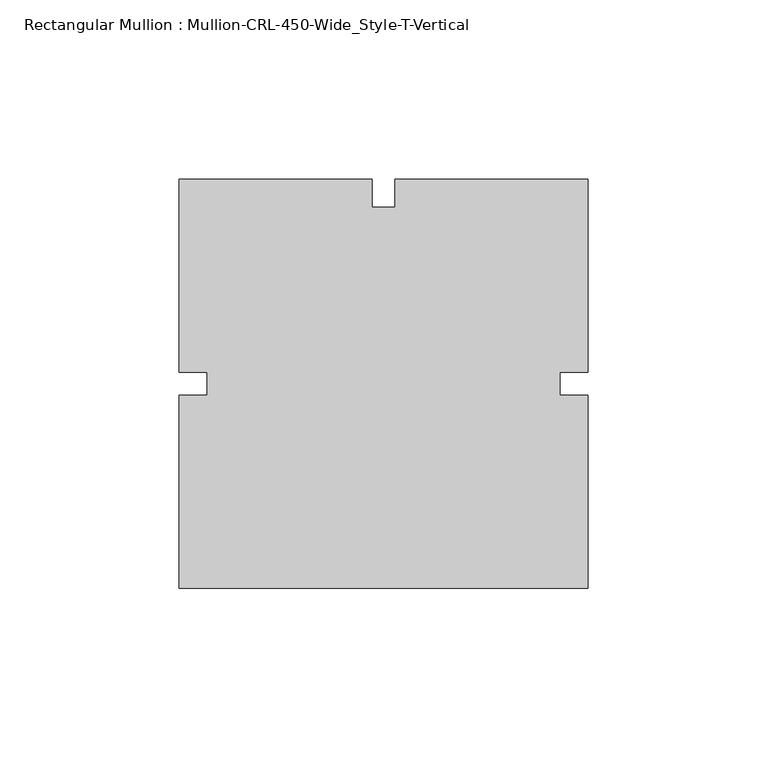
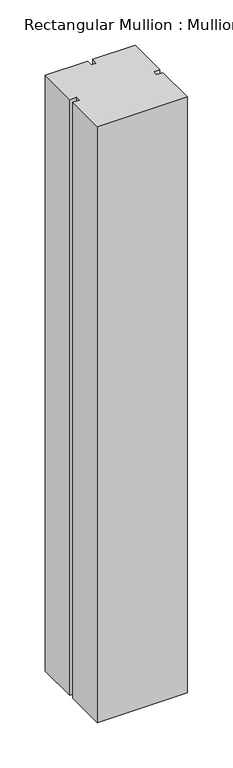
"""IFC4 building model written with IfcOpenShell, lengths in millimetres: member geometry, Rectangular Mullion : Mullion-CRL-450-Wide_Style-T-Vertical."""

from ifc_helpers import new_model, si_unit, frame, origin, place, context, project, spatial, polyline, outline, extrude, source, transform, mapped, element, save


def rectangular_mullion_mullion_crl_450_wide_style_t_vertical_a498e1fe(model_context):
    return source(origin(), model_context, "Body", "SweptSolid", [
        extrude(outline(polyline([(57.15, -57.15), (-57.15, -57.15), (-57.15, -3.175), (-49.2125, -3.175), (-49.2125, 3.175), (-57.15, 3.175), (-57.15, 57.15), (-3.1840868, 57.15), (-3.1840868, 49.2125), (3.1840868, 49.2125), (3.1840868, 57.15), (57.15, 57.15), (57.15, 3.175), (49.2125, 3.175), (49.2125, -3.175), (57.15, -3.175), (57.15, -57.15)])), frame((0.0, 0.0, -800.89375), z_axis=(0.0, 0.0, 1.0), x_axis=(1.0, 0.0, 0.0)), (0.0, 0.0, 1.0), 800.89375),
    ])


if __name__ == "__main__":
    model = new_model("IFC4")
    model_context = context("Model", 3, world=origin())
    ifc_project = project(units=[si_unit("LENGTHUNIT", "METRE", prefix="MILLI")], contexts=[model_context])
    site = spatial("IfcSite", under=ifc_project)
    building = spatial("IfcBuilding", under=site)
    placement = place(None, origin())
    rectangular_mullion_mullion_crl_450_wide_style_t_vertical_shape = rectangular_mullion_mullion_crl_450_wide_style_t_vertical_a498e1fe(model_context)
    element("IfcMember", 1, ObjectType="Rectangular Mullion : Mullion-CRL-450-Wide_Style-T-Vertical", at=placement, inside=building, context=model_context, shape_type="MappedRepresentation", body=[
        mapped(rectangular_mullion_mullion_crl_450_wide_style_t_vertical_shape, transform((0.0, 0.0, 0.0), x_axis=(1.0, 0.0, 0.0), y_axis=(0.0, 1.0, 0.0), z_axis=(0.0, 0.0, 1.0))),
    ])
    save(model, "model.ifc")
